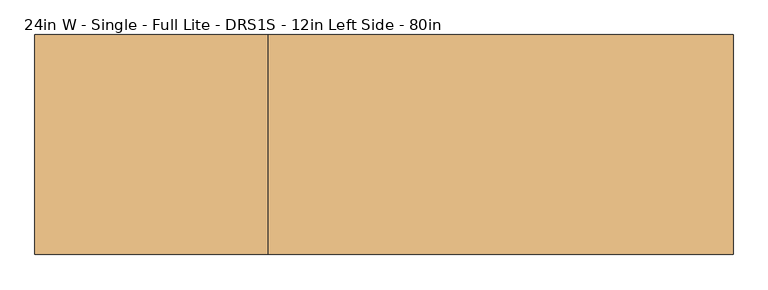
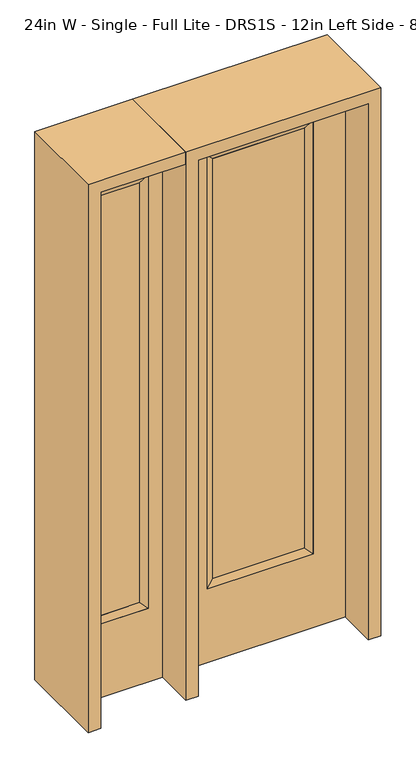
"""IFC4 building model written with IfcOpenShell, lengths in millimetres: door geometry, 24in W - Single - Full Lite - DRS1S - 12in Left Side - 80in."""

from ifc_helpers import new_model, si_unit, frame, origin, place, context, project, spatial, polyline, outline, extrude, faceted_brep, source, transform, mapped, element, save


def door_24in_w_single_full_lite_drs1s_12in_left_side_80in_94e7d40b(model_context):
    return source(origin(), model_context, "Body", "SolidModel", [
        extrude(outline(polyline([(163.9824, -12.7039749), (-163.9824, -12.7039749), (-163.9824, 14.2875), (163.9824, 14.2875), (163.9824, -12.7039749)])), frame((0.0, 0.0, 304.8), z_axis=(0.0, 0.0, 1.0), x_axis=(1.0, 0.0, 0.0)), (0.0, 0.0, 1.0), 1591.1576),
        faceted_brep([(163.9824, 14.2875, 1895.9576), (189.3824, 22.225, 1921.3576), (189.3824, 22.225, 279.4), (163.9824, 14.2875, 304.8), (189.3824, -22.225, 1921.3576), (189.3824, -22.225, 279.4), (-189.3824, 22.225, 279.4), (-163.9824, 14.2875, 304.8), (163.9824, -12.7039749, 1895.9576), (163.9824, -12.7039749, 304.8), (-163.9824, -12.7039749, 304.8), (-189.3824, -22.225, 279.4), (-189.3824, 22.225, 1921.3576), (-163.9824, 14.2875, 1895.9576), (-163.9824, -12.7039749, 1895.9576), (-189.3824, -22.225, 1921.3576)], [[[0, 1, 2, 3]], [[1, 4, 5, 2]], [[3, 2, 6, 7]], [[8, 0, 3, 9]], [[9, 3, 7, 10]], [[4, 8, 9, 5]], [[5, 9, 10, 11]], [[2, 5, 11, 6]], [[7, 6, 12, 13]], [[10, 7, 13, 14]], [[11, 10, 14, 15]], [[6, 11, 15, 12]], [[13, 12, 1, 0]], [[14, 13, 0, 8]], [[15, 14, 8, 4]], [[12, 15, 4, 1]]]),
        extrude(outline(polyline([(0.0, -304.8), (0.0, 304.8), (2032.0, 304.8), (2032.0, -304.8), (0.0, -304.8)]), holes=[polyline([(279.4, -189.3824), (1921.3576, -189.3824), (1921.3576, 189.3824), (279.4, 189.3824), (279.4, -189.3824)])]), frame((0.0, -22.225, 0.0), z_axis=(0.0, 1.0, 0.0), x_axis=(0.0, 0.0, 1.0)), (0.0, 0.0, 1.0), 44.45),
        faceted_brep([(-400.05, 20.6375, 1920.875), (-400.05, -20.6375, 1920.875), (-400.05, -20.6375, 279.4), (-400.05, 20.6375, 279.4), (-425.45, -12.7, 1895.475), (-425.45, -12.7, 304.8), (-603.25, -20.6375, 279.4), (-603.25, 20.6375, 279.4), (-425.45, 12.7, 1895.475), (-425.45, 12.7, 304.8), (-577.85, 12.7, 304.8), (-577.85, -12.7, 304.8), (-603.25, -20.6375, 1920.875), (-603.25, 20.6375, 1920.875), (-577.85, 12.7, 1895.475), (-577.85, -12.7, 1895.475)], [[[0, 1, 2, 3]], [[1, 4, 5, 2]], [[3, 2, 6, 7]], [[8, 0, 3, 9]], [[9, 3, 7, 10]], [[4, 8, 9, 5]], [[5, 9, 10, 11]], [[2, 5, 11, 6]], [[7, 6, 12, 13]], [[10, 7, 13, 14]], [[11, 10, 14, 15]], [[6, 11, 15, 12]], [[13, 12, 1, 0]], [[14, 13, 0, 8]], [[15, 14, 8, 4]], [[12, 15, 4, 1]]]),
        extrude(outline(polyline([(0.0, -654.05), (0.0, -349.25), (2032.0, -349.25), (2032.0, -654.05), (0.0, -654.05)]), holes=[polyline([(1920.875, -400.05), (279.4, -400.05), (279.4, -603.25), (1920.875, -603.25), (1920.875, -400.05)])]), frame((0.0, -20.6375, 0.0), z_axis=(0.0, 1.0, 0.0), x_axis=(0.0, 0.0, 1.0)), (0.0, 0.0, 1.0), 41.275),
        extrude(outline(polyline([(-425.45, -12.7), (-577.85, -12.7), (-577.85, 12.7), (-425.45, 12.7), (-425.45, -12.7)])), frame((0.0, 0.0, 304.8), z_axis=(0.0, 0.0, 1.0), x_axis=(1.0, 0.0, 0.0)), (0.0, 0.0, 1.0), 1590.675),
        extrude(outline(polyline([(2032.0, -349.25), (2076.45, -349.25), (2076.45, -698.5), (0.0, -698.5), (0.0, -654.05), (2032.0, -654.05), (2032.0, -349.25)])), frame((0.0, -165.1, 0.0), z_axis=(0.0, 1.0, 0.0), x_axis=(0.0, 0.0, 1.0)), (0.0, 0.0, 1.0), 330.2),
        extrude(outline(polyline([(2076.45, -349.25), (0.0, -349.25), (0.0, -304.8), (2032.0, -304.8), (2032.0, 304.8), (0.0, 304.8), (0.0, 349.25), (2076.45, 349.25), (2076.45, -349.25)])), frame((0.0, -165.1, 0.0), z_axis=(0.0, 1.0, 0.0), x_axis=(0.0, 0.0, 1.0)), (0.0, 0.0, 1.0), 330.2),
    ])


if __name__ == "__main__":
    model = new_model("IFC4")
    model_context = context("Model", 3, world=origin())
    ifc_project = project(units=[si_unit("LENGTHUNIT", "METRE", prefix="MILLI")], contexts=[model_context])
    site = spatial("IfcSite", under=ifc_project)
    building = spatial("IfcBuilding", under=site)
    placement = place(None, origin())
    door_24in_w_single_full_lite_drs1s_12in_left_side_80in_shape = door_24in_w_single_full_lite_drs1s_12in_left_side_80in_94e7d40b(model_context)
    element("IfcDoor", 1, ObjectType="24in W - Single - Full Lite - DRS1S - 12in Left Side - 80in", at=placement, inside=building, context=model_context, shape_type="MappedRepresentation", body=[
        mapped(door_24in_w_single_full_lite_drs1s_12in_left_side_80in_shape, transform((0.0, 0.0, 0.0), x_axis=(1.0, 0.0, 0.0), y_axis=(0.0, 1.0, 0.0), z_axis=(0.0, 0.0, 1.0))),
    ])
    save(model, "model.ifc")
